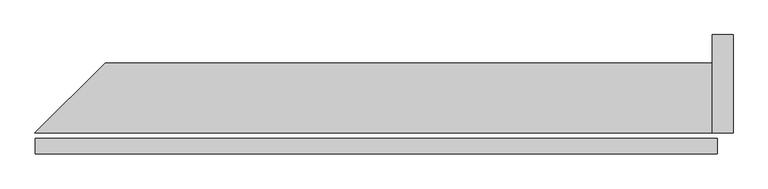
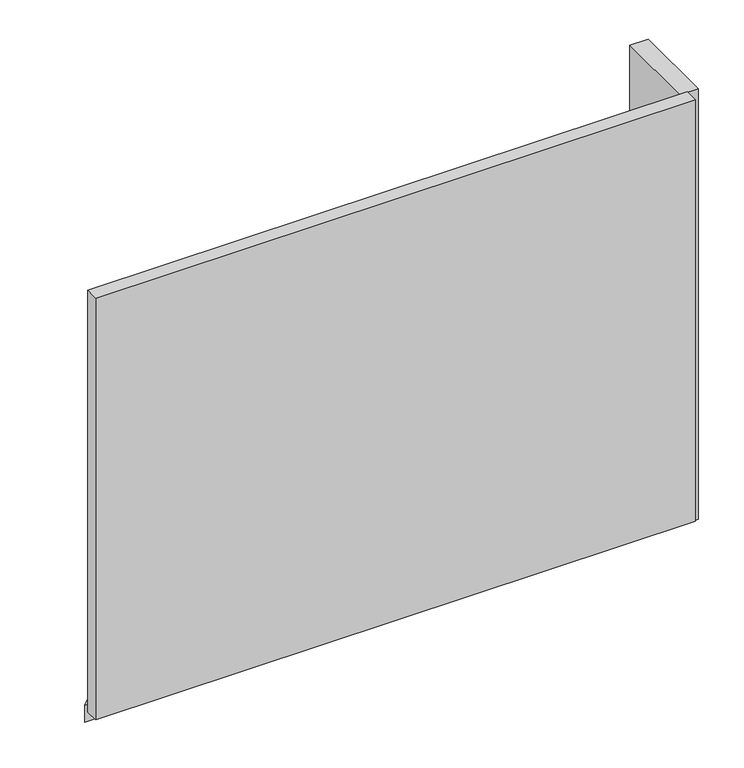
"""IFC4 building model written with IfcOpenShell, lengths in millimetres: plate geometry."""

from ifc_helpers import new_model, si_unit, frame, origin, origin_with_axes, place, context, project, spatial, polyline, outline, extrude, source, transform, mapped, element, save


def plate_5e70f6f2(model_context):
    return source(origin(), model_context, "Body", "SweptSolid", [
        extrude(outline(polyline([(973.0, 0.0), (-973.0, 0.0), (-973.0, 44.0), (973.0, 44.0), (973.0, 0.0)])), origin_with_axes(), (0.0, 0.0, 1.0), 1447.534293),
        extrude(outline(polyline([(958.0, 260.0), (958.0, 60.0), (-973.5735931, 60.0), (-773.5735931, 260.0), (958.0, 260.0)])), frame((0.0, 0.0, -45.0), z_axis=(0.0, 0.0, 1.0), x_axis=(1.0, 0.0, 0.0)), (0.0, 0.0, 1.0), 60.0),
        extrude(outline(polyline([(1018.0, 60.0), (958.0, 60.0), (958.0, 340.0), (1018.0, 340.0), (1018.0, 60.0)])), frame((0.0, 0.0, -45.0), z_axis=(0.0, 0.0, 1.0), x_axis=(1.0, 0.0, 0.0)), (0.0, 0.0, 1.0), 1477.534293),
    ])


if __name__ == "__main__":
    model = new_model("IFC4")
    model_context = context("Model", 3, world=origin())
    ifc_project = project(units=[si_unit("LENGTHUNIT", "METRE", prefix="MILLI")], contexts=[model_context])
    site = spatial("IfcSite", under=ifc_project)
    building = spatial("IfcBuilding", under=site)
    placement = place(None, origin())
    plate_shape = plate_5e70f6f2(model_context)
    element("IfcPlate", 1, at=placement, inside=building, context=model_context, shape_type="MappedRepresentation", body=[
        mapped(plate_shape, transform((0.0, 0.0, 0.0), x_axis=(1.0, 0.0, 0.0), y_axis=(0.0, 1.0, 0.0), z_axis=(0.0, 0.0, 1.0))),
    ])
    save(model, "model.ifc")
